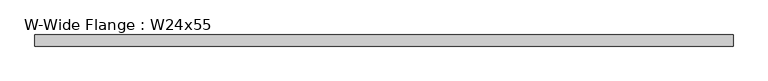
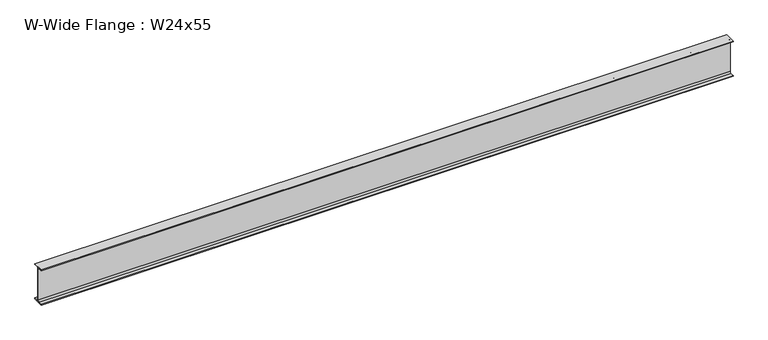
"""IFC4 building model written with IfcOpenShell, lengths in millimetres: beam geometry, W-Wide Flange : W24x55."""

import ifcopenshell
import ifcopenshell.guid

model = None  # the IFC model being written
_history = None  # IfcOwnerHistory: only IFC2X3 demands one
_inside = {}  # id of a spatial element -> (the spatial element, [elements in it])
_under = {}  # id of a project, library or spatial element -> (it, [spatial elements below it])
_declared = {}  # id of a project -> (the project, [libraries it declares])
_typed = {}  # id of a type object -> (the type object, [elements of that type])
_made_of = {}  # id of a material, layer set ... -> (it, [elements and type objects made of it])


def new_model(schema):
    """Start an empty IFC model of exactly this schema.

    Asked for "IFC4X3", IfcOpenShell would pick the latest addendum, in which some entities
    have other attributes; the version numbers below select the first issue.
    IFC2X3 requires an IfcOwnerHistory on every rooted entity: one is made here for all.
    """
    global model, _history
    if schema == "IFC4X3":
        model = ifcopenshell.file(schema_version=(4, 3, 0, 0))
    else:
        model = ifcopenshell.file(schema=schema)
    _inside.clear()
    _under.clear()
    _declared.clear()
    _typed.clear()
    _made_of.clear()
    _history = None
    if model.schema == "IFC2X3":
        org = make("IfcOrganization", Name="unknown")
        user = make(
            "IfcPersonAndOrganization",
            ThePerson=make("IfcPerson", FamilyName="unknown"),
            TheOrganization=org,
        )
        app = make(
            "IfcApplication",
            ApplicationDeveloper=org,
            Version="unknown",
            ApplicationFullName="unknown",
            ApplicationIdentifier="unknown",
        )
        _history = make(
            "IfcOwnerHistory",
            OwningUser=user,
            OwningApplication=app,
            ChangeAction="ADDED",
            CreationDate=0,
        )
    return model


def make(cls, **values):
    """One entity of the class cls with the attributes given. An attribute that is None is left unset."""
    return model.create_entity(
        cls, **{name: value for name, value in values.items() if value is not None}
    )


def rooted(cls, **values):
    """An entity with a GlobalId (a new one), such as an element, a storey or a relation."""
    return make(cls, GlobalId=ifcopenshell.guid.new(), OwnerHistory=_history, **values)


def si_unit(unit_type, name, prefix=None):
    """IfcSIUnit, for example si_unit("LENGTHUNIT", "METRE", prefix="MILLI")."""
    return make("IfcSIUnit", UnitType=unit_type, Prefix=prefix, Name=name)


def assignment(units):
    """IfcUnitAssignment: the units of a project."""
    return None if units is None else make("IfcUnitAssignment", Units=units)


def point(xyz):
    """IfcCartesianPoint."""
    return None if xyz is None else make("IfcCartesianPoint", Coordinates=xyz)


def direction(xyz):
    """IfcDirection."""
    return None if xyz is None else make("IfcDirection", DirectionRatios=xyz)


def frame(location, z_axis=None, x_axis=None):
    """IfcAxis2Placement3D, a coordinate frame: its origin and axes. An axis left out is left unset."""
    return make(
        "IfcAxis2Placement3D",
        Location=point(location),
        Axis=direction(z_axis),
        RefDirection=direction(x_axis),
    )


def frame_2d(location, x_axis=None):
    """IfcAxis2Placement2D, a coordinate frame in the plane: its origin and x axis."""
    return make(
        "IfcAxis2Placement2D", Location=point(location), RefDirection=direction(x_axis)
    )


def origin():
    """The frame at (0, 0, 0) with its axes left unset."""
    return frame((0.0, 0.0, 0.0))


def place(relative_to, where):
    """IfcLocalPlacement: puts the frame where relative to a parent placement (None: the world)."""
    return make(
        "IfcLocalPlacement", PlacementRelTo=relative_to, RelativePlacement=where
    )


def context(
    kind, dimensions, precision=None, world=None, true_north=None, identifier=None
):
    """IfcGeometricRepresentationContext, for example the 3D "Model" context."""
    return make(
        "IfcGeometricRepresentationContext",
        ContextIdentifier=identifier,
        ContextType=kind,
        CoordinateSpaceDimension=dimensions,
        Precision=precision,
        WorldCoordinateSystem=world,
        TrueNorth=true_north,
    )


def project(units=None, contexts=None):
    """IfcProject with its units and contexts."""
    return rooted(
        "IfcProject",
        Name="project",
        RepresentationContexts=contexts,
        UnitsInContext=assignment(units),
    )


def spatial(cls, under=None, at=None, **own):
    """A site, building, storey or space (cls), placed at a placement, below another one or the project."""
    s = rooted(cls, ObjectPlacement=at, **own)
    if under is not None:
        _under.setdefault(under.id(), (under, []))[1].append(s)
    return s


def polyline(points):
    """IfcPolyline through the points."""
    return make("IfcPolyline", Points=[point(p) for p in points])


def circle_curve(where, radius):
    """IfcCircle in the frame where."""
    return make("IfcCircle", Position=where, Radius=radius)


def trimmed(basis, trim1, trim2, sense, master):
    """IfcTrimmedCurve: the piece of a basis curve between two trims."""
    return make(
        "IfcTrimmedCurve",
        BasisCurve=basis,
        Trim1=trim1,
        Trim2=trim2,
        SenseAgreement=sense,
        MasterRepresentation=master,
    )


def segment(curve, same_sense, transition):
    """IfcCompositeCurveSegment."""
    return make(
        "IfcCompositeCurveSegment",
        Transition=transition,
        SameSense=same_sense,
        ParentCurve=curve,
    )


def composite_curve(segments, self_intersect=None):
    """IfcCompositeCurve: segments joined end to end."""
    return make("IfcCompositeCurve", Segments=segments, SelfIntersect=self_intersect)


def outline(outer, holes=None, kind="AREA"):
    """IfcArbitraryClosedProfileDef: a profile drawn as a closed curve; with holes, ...WithVoids."""
    if holes is None:
        return make("IfcArbitraryClosedProfileDef", ProfileType=kind, OuterCurve=outer)
    return make(
        "IfcArbitraryProfileDefWithVoids",
        ProfileType=kind,
        OuterCurve=outer,
        InnerCurves=holes,
    )


def extrude(swept, where, along, depth):
    """IfcExtrudedAreaSolid: the profile swept, set in the frame where, extruded along a direction by depth."""
    return make(
        "IfcExtrudedAreaSolid",
        SweptArea=swept,
        Position=where,
        ExtrudedDirection=direction(along),
        Depth=depth,
    )


def shape(context_of_items, identifier, shape_type, items):
    """IfcShapeRepresentation: the items that make up one representation, for example the "Body"."""
    return make(
        "IfcShapeRepresentation",
        ContextOfItems=context_of_items,
        RepresentationIdentifier=identifier,
        RepresentationType=shape_type,
        Items=items,
    )


def source(mapping_origin, context_of_items, identifier, shape_type, items):
    """IfcRepresentationMap: a shape defined once, which mapped items show again and again."""
    return make(
        "IfcRepresentationMap",
        MappingOrigin=mapping_origin,
        MappedRepresentation=shape(context_of_items, identifier, shape_type, items),
    )


def transform(
    local_origin,
    x_axis=None,
    y_axis=None,
    z_axis=None,
    scale=None,
    scale2=None,
    scale3=None,
    uniform=True,
):
    """IfcCartesianTransformationOperator3D, or its non-uniform kind. x_axis, y_axis, z_axis: its Axis1, 2, 3."""
    if uniform:
        return make(
            "IfcCartesianTransformationOperator3D",
            Axis1=direction(x_axis),
            Axis2=direction(y_axis),
            LocalOrigin=point(local_origin),
            Scale=scale,
            Axis3=direction(z_axis),
        )
    return make(
        "IfcCartesianTransformationOperator3DnonUniform",
        Axis1=direction(x_axis),
        Axis2=direction(y_axis),
        LocalOrigin=point(local_origin),
        Scale=scale,
        Axis3=direction(z_axis),
        Scale2=scale2,
        Scale3=scale3,
    )


def mapped(mapping_source, mapping_target):
    """IfcMappedItem: shows the shape of a source again, moved by a transform."""
    return make(
        "IfcMappedItem", MappingSource=mapping_source, MappingTarget=mapping_target
    )


def made_of(thing, what):
    """Note that an element or type object is made of a material, layer set ...; save() writes the relation."""
    if what is not None:
        _made_of.setdefault(what.id(), (what, []))[1].append(thing)
    return thing


def element(
    cls,
    number,
    at=None,
    inside=None,
    cuts=None,
    type_object=None,
    material=None,
    context=None,
    identifier="Body",
    shape_type=None,
    held_by="IfcProductDefinitionShape",
    body=None,
    shapes=None,
    **own,
):
    """One element of the class cls, such as IfcWall. Its Tag is "e" and its number.

    at: its placement. inside: the storey or other place that contains it. cuts: it is an
    opening in that element (IfcRelVoidsElement). A single representation is given by context,
    identifier, shape_type and body (its items); several are given by shapes. held_by: the class
    of the entity that holds the representations. save() writes the other relations.
    """
    e = rooted(cls, Tag="e%d" % number, ObjectPlacement=at, **own)
    if body is not None:
        shapes = [shape(context, identifier, shape_type, body)]
    if shapes is not None:
        e.Representation = make(held_by, Representations=shapes)
    if inside is not None:
        _inside.setdefault(inside.id(), (inside, []))[1].append(e)
    if cuts is not None:
        rooted(
            "IfcRelVoidsElement", RelatingBuildingElement=cuts, RelatedOpeningElement=e
        )
    if type_object is not None:
        _typed.setdefault(type_object.id(), (type_object, []))[1].append(e)
    return made_of(e, material)


def aggregate(whole, parts):
    """IfcRelAggregates: a whole, such as a stair, and the parts it consists of."""
    return rooted("IfcRelAggregates", RelatingObject=whole, RelatedObjects=parts)


def save(model, path):
    """Write the relations noted so far, then the file.

    IfcRelAggregates (storeys below a building ...), IfcRelContainedInSpatialStructure (elements
    in a storey), IfcRelDefinesByType, IfcRelAssociatesMaterial and IfcRelDeclares: one each for
    every whole, place, type object, material and project.
    """
    for whole, parts in _under.values():
        aggregate(whole, parts)
    for where, things in _inside.values():
        rooted(
            "IfcRelContainedInSpatialStructure",
            RelatedElements=things,
            RelatingStructure=where,
        )
    for kind, things in _typed.values():
        rooted("IfcRelDefinesByType", RelatedObjects=things, RelatingType=kind)
    for what, things in _made_of.values():
        rooted("IfcRelAssociatesMaterial", RelatedObjects=things, RelatingMaterial=what)
    for by, libraries in _declared.values():
        rooted("IfcRelDeclares", RelatingContext=by, RelatedDefinitions=libraries)
    model.write(path)


def w_wide_flange_w24x55_2a9c0861(model_context):
    return source(origin(), model_context, "Body", "SweptSolid", [
        extrude(outline(composite_curve([segment(polyline([(89.027, -286.893), (89.027, -299.72), (-89.027, -299.72), (-89.027, -286.893), (-28.702, -286.893)]), True, "CONTINUOUS"), segment(trimmed(circle_curve(frame_2d((-28.702, -263.2075)), 23.6855), [point((-28.702, -286.893))], [point((-5.0165, -263.2075))], True, "CARTESIAN"), True, "CONTINUOUS"), segment(polyline([(-5.0165, -263.2075), (-5.0165, 263.2075)]), True, "CONTINUOUS"), segment(trimmed(circle_curve(frame_2d((-28.702, 263.2075)), 23.6855), [point((-5.0165, 263.2075))], [point((-28.702, 286.893))], True, "CARTESIAN"), True, "CONTINUOUS"), segment(polyline([(-28.702, 286.893), (-89.027, 286.893), (-89.027, 299.72), (89.027, 299.72), (89.027, 286.893), (28.702, 286.893)]), True, "CONTINUOUS"), segment(trimmed(circle_curve(frame_2d((28.702, 263.2075)), 23.6855), [point((28.702, 286.893))], [point((5.0165, 263.2075))], True, "CARTESIAN"), True, "CONTINUOUS"), segment(polyline([(5.0165, 263.2075), (5.0165, -263.2075)]), True, "CONTINUOUS"), segment(trimmed(circle_curve(frame_2d((28.702, -263.2075)), 23.6855), [point((5.0165, -263.2075))], [point((28.702, -286.893))], True, "CARTESIAN"), True, "CONTINUOUS"), segment(polyline([(28.702, -286.893), (89.027, -286.893)]), True, "CONTINUOUS")], self_intersect=False)), frame((-5576.5437833, 0.0, 0.0), z_axis=(1.0, 0.0, 0.0), x_axis=(0.0, 1.0, 0.0)), (0.0, 0.0, 1.0), 11153.0875666),
    ])


if __name__ == "__main__":
    model = new_model("IFC4")
    model_context = context("Model", 3, world=origin())
    ifc_project = project(units=[si_unit("LENGTHUNIT", "METRE", prefix="MILLI")], contexts=[model_context])
    site = spatial("IfcSite", under=ifc_project)
    building = spatial("IfcBuilding", under=site)
    placement = place(None, origin())
    w_wide_flange_w24x55_shape = w_wide_flange_w24x55_2a9c0861(model_context)
    element("IfcBeam", 1, ObjectType="W-Wide Flange : W24x55", at=placement, inside=building, context=model_context, shape_type="MappedRepresentation", body=[
        mapped(w_wide_flange_w24x55_shape, transform((0.0, 0.0, 0.0), x_axis=(1.0, 0.0, 0.0), y_axis=(0.0, 1.0, 0.0), z_axis=(0.0, 0.0, 1.0))),
    ])
    save(model, "model.ifc")
